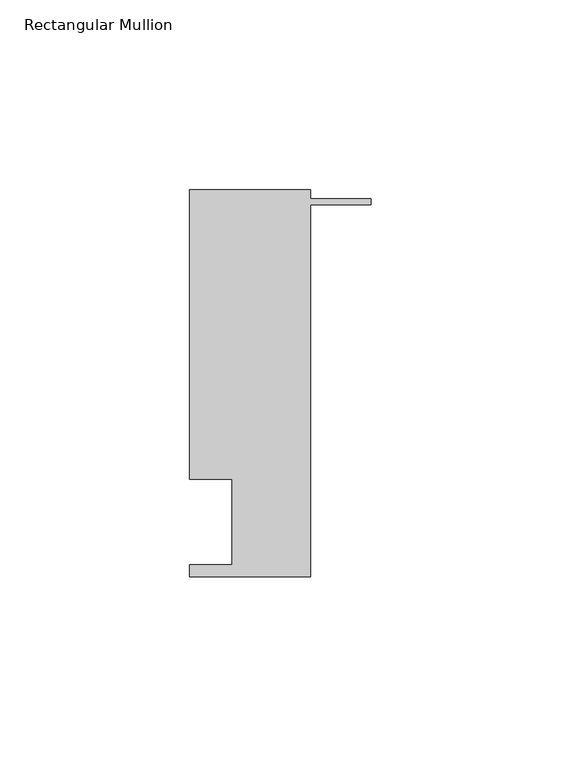
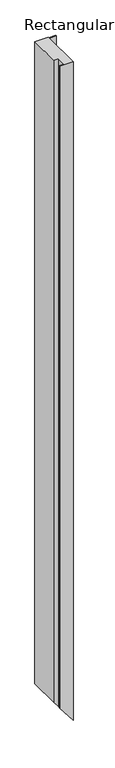
"""IFC4 building model written with IfcOpenShell, lengths in millimetres: member geometry, Rectangular Mullion."""

from ifc_helpers import new_model, si_unit, origin, place, context, project, spatial, faceted_brep, source, transform, mapped, element, save


def rectangular_mullion_925116d5(model_context):
    return source(origin(), model_context, "Body", "Brep", [
        faceted_brep([(-36.6424407, 17.0149409, 0.0), (-47.7676407, 17.0149409, 0.0), (-47.7676407, 13.8350625, 0.0), (-16.0176407, 13.8350625, 0.0), (-16.0176407, 111.8282625, 0.0), (0.0, 111.8282625, 0.0), (0.0, 113.4030625, 0.0), (-16.0176407, 113.4030625, 0.0), (-16.0176407, 115.6890625, 0.0), (-47.7662542, 115.6890625, 0.0), (-47.7662542, 39.4890625, 0.0), (-36.6424407, 39.4890625, 0.0), (-36.6424407, 17.0149409, -1617.2030699), (-47.7676407, 17.0149409, -1602.8959416), (-47.7676407, 13.8350625, -1602.8959416), (-16.0176407, 13.8350625, -1643.7267871), (-16.0176407, 111.8282625, -1643.7267871), (0.0, 111.8282625, -1664.3256473), (0.0, 113.4030625, -1664.3256473), (-16.0176407, 113.4030625, -1643.7267871), (-16.0176407, 115.6890625, -1643.7267871), (-47.7662542, 115.6890625, -1602.8977247), (-47.7662542, 39.4890625, -1602.8977247), (-36.6424407, 39.4890625, -1617.2030699)], [[[0, 1, 2, 3, 4, 5, 6, 7, 8, 9, 10, 11]], [[1, 0, 12, 13]], [[2, 1, 13, 14]], [[3, 2, 14, 15]], [[4, 3, 15, 16]], [[5, 4, 16, 17]], [[6, 5, 17, 18]], [[7, 6, 18, 19]], [[8, 7, 19, 20]], [[9, 8, 20, 21]], [[10, 9, 21, 22]], [[11, 10, 22, 23]], [[0, 11, 23, 12]], [[12, 23, 22, 21, 20, 19, 18, 17, 16, 15, 14, 13]]]),
    ])


if __name__ == "__main__":
    model = new_model("IFC4")
    model_context = context("Model", 3, world=origin())
    ifc_project = project(units=[si_unit("LENGTHUNIT", "METRE", prefix="MILLI")], contexts=[model_context])
    site = spatial("IfcSite", under=ifc_project)
    building = spatial("IfcBuilding", under=site)
    placement = place(None, origin())
    rectangular_mullion_shape = rectangular_mullion_925116d5(model_context)
    element("IfcMember", 1, ObjectType="Rectangular Mullion", at=placement, inside=building, context=model_context, shape_type="MappedRepresentation", body=[
        mapped(rectangular_mullion_shape, transform((0.0, 0.0, 0.0), x_axis=(1.0, 0.0, 0.0), y_axis=(0.0, 1.0, 0.0), z_axis=(0.0, 0.0, 1.0))),
    ])
    save(model, "model.ifc")
